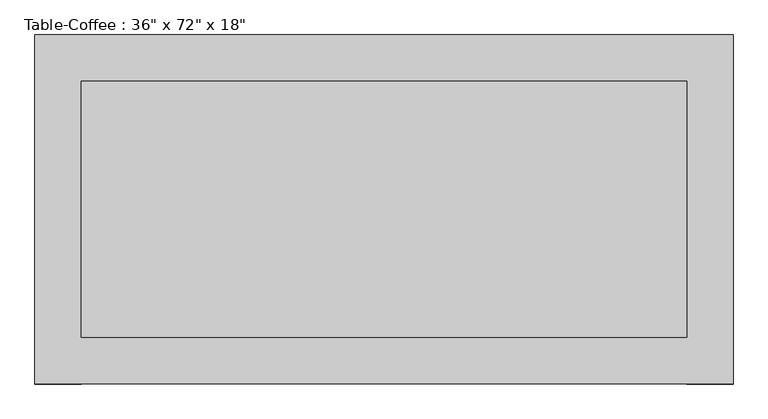
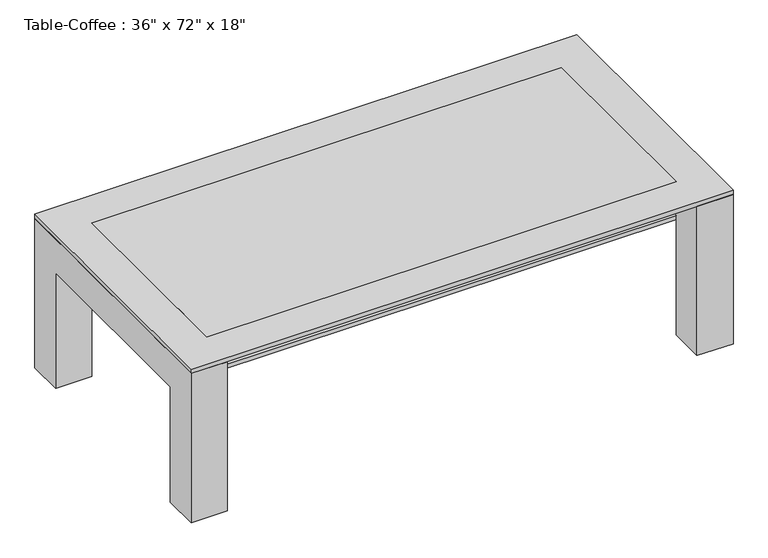
"""IFC4 building model written with IfcOpenShell, lengths in millimetres: furniture geometry."""

from ifc_helpers import new_model, si_unit, frame, origin, place, context, project, spatial, polyline, outline, extrude, source, transform, mapped, element, save


def furniture_02552d94(model_context):
    return source(origin(), model_context, "Body", "SweptSolid", [
        extrude(outline(polyline([(678.6657667, -374.6110778), (-642.1342333, -374.6110778), (-642.1342333, 184.1889222), (678.6657667, 184.1889222), (678.6657667, -374.6110778)])), frame((0.0, 0.0, 342.9), z_axis=(0.0, 0.0, 1.0), x_axis=(1.0, 0.0, 0.0)), (0.0, 0.0, 1.0), 12.7),
        extrude(outline(polyline([(-476.2110778, 0.0), (-476.2110778, 444.5), (285.7889222, 444.5), (285.7889222, 0.0), (184.1889222, 0.0), (184.1889222, 342.9), (-374.6110778, 342.9), (-374.6110778, 0.0), (-476.2110778, 0.0)])), frame((678.6657667, 0.0, 0.0), z_axis=(1.0, 0.0, 0.0), x_axis=(0.0, 1.0, 0.0)), (0.0, 0.0, 1.0), 101.6),
        extrude(outline(polyline([(-476.2110778, 444.5), (285.7889222, 444.5), (285.7889222, 0.0), (184.1889222, 0.0), (184.1889222, 342.9), (-374.6110778, 342.9), (-374.6110778, 0.0), (-476.2110778, 0.0), (-476.2110778, 444.5)])), frame((-743.7342333, 0.0, 0.0), z_axis=(1.0, 0.0, 0.0), x_axis=(0.0, 1.0, 0.0)), (0.0, 0.0, 1.0), 101.6),
        extrude(outline(polyline([(678.6657667, -374.6110778), (-642.1342333, -374.6110778), (-642.1342333, 184.1889222), (678.6657667, 184.1889222), (678.6657667, -374.6110778)])), frame((0.0, 0.0, 444.5), z_axis=(0.0, 0.0, 1.0), x_axis=(1.0, 0.0, 0.0)), (0.0, 0.0, 1.0), 12.7),
        extrude(outline(polyline([(780.2657667, -476.2110778), (-743.7342333, -476.2110778), (-743.7342333, 285.7889222), (780.2657667, 285.7889222), (780.2657667, -476.2110778)]), holes=[polyline([(678.6657667, -374.6110778), (678.6657667, 184.1889222), (-642.1342333, 184.1889222), (-642.1342333, -374.6110778), (678.6657667, -374.6110778)])]), frame((0.0, 0.0, 444.5), z_axis=(0.0, 0.0, 1.0), x_axis=(1.0, 0.0, 0.0)), (0.0, 0.0, 1.0), 12.7),
    ])


if __name__ == "__main__":
    model = new_model("IFC4")
    model_context = context("Model", 3, world=origin())
    ifc_project = project(units=[si_unit("LENGTHUNIT", "METRE", prefix="MILLI")], contexts=[model_context])
    site = spatial("IfcSite", under=ifc_project)
    building = spatial("IfcBuilding", under=site)
    placement = place(None, origin())
    furniture_shape = furniture_02552d94(model_context)
    element("IfcFurniture", 1, ObjectType="Table-Coffee : 36\" x 72\" x 18\"", at=placement, inside=building, context=model_context, shape_type="MappedRepresentation", body=[
        mapped(furniture_shape, transform((0.0, 0.0, 0.0), x_axis=(1.0, 0.0, 0.0), y_axis=(0.0, 1.0, 0.0), z_axis=(0.0, 0.0, 1.0))),
    ])
    save(model, "model.ifc")
